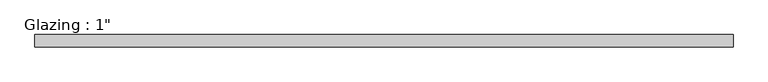
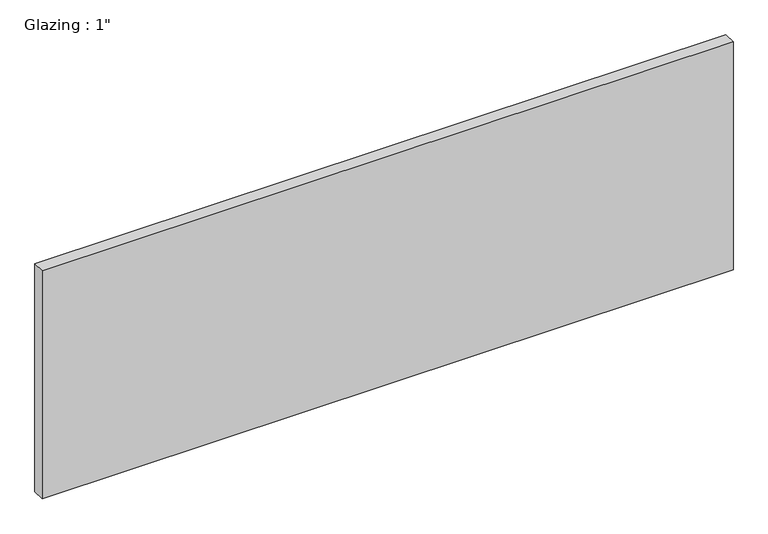
"""IFC4 building model written with IfcOpenShell, lengths in millimetres: plate geometry."""

from ifc_helpers import new_model, si_unit, origin, origin_with_axes, place, context, project, spatial, polyline, outline, extrude, source, transform, mapped, element, save


def plate_18cae1ac(model_context):
    return source(origin(), model_context, "Body", "SweptSolid", [
        extrude(outline(polyline([(713.8074708, -12.7), (-713.8074708, -12.7), (-713.8074708, 12.7), (713.8074708, 12.7), (713.8074708, -12.7)])), origin_with_axes(), (0.0, 0.0, 1.0), 497.9851068),
    ])


if __name__ == "__main__":
    model = new_model("IFC4")
    model_context = context("Model", 3, world=origin())
    ifc_project = project(units=[si_unit("LENGTHUNIT", "METRE", prefix="MILLI")], contexts=[model_context])
    site = spatial("IfcSite", under=ifc_project)
    building = spatial("IfcBuilding", under=site)
    placement = place(None, origin())
    plate_shape = plate_18cae1ac(model_context)
    element("IfcPlate", 1, ObjectType="Glazing : 1\"", at=placement, inside=building, context=model_context, shape_type="MappedRepresentation", body=[
        mapped(plate_shape, transform((0.0, 0.0, 0.0), x_axis=(1.0, 0.0, 0.0), y_axis=(0.0, 1.0, 0.0), z_axis=(0.0, 0.0, 1.0))),
    ])
    save(model, "model.ifc")
